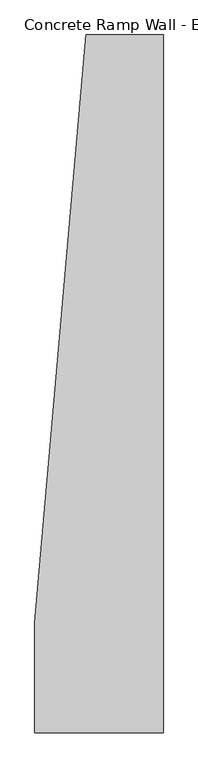
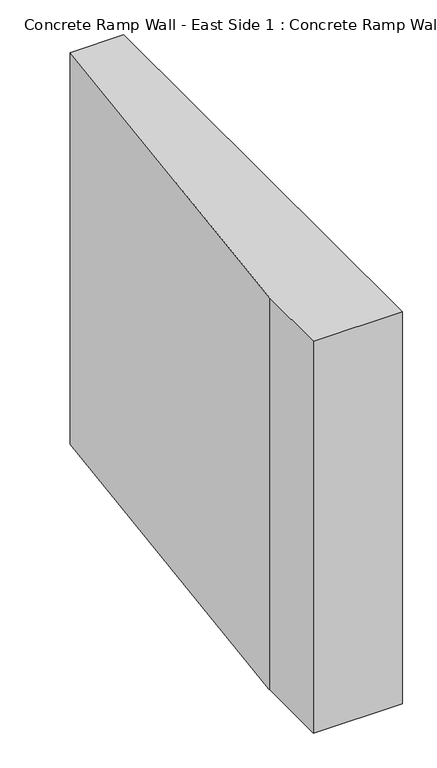
"""IFC4 building model written with IfcOpenShell, lengths in millimetres: beam geometry, Concrete Ramp Wall - East Side 1 : Concrete Ramp Wall - East Side 1."""

from ifc_helpers import new_model, si_unit, origin, place, context, project, spatial, faceted_brep, source, transform, mapped, element, save


def concrete_ramp_wall_east_side_1_concrete_ramp_wall_east_side_2fead596(model_context):
    return source(origin(), model_context, "Body", "Brep", [
        faceted_brep([(228296.1491692, 203463.2322067, 2340.0), (228296.1491692, 202863.2322067, 2340.0), (228996.1491692, 202863.2322067, 2340.0), (228996.1491692, 206663.2322067, 2340.0), (228576.1128925, 206663.2322067, 2340.0), (228296.1491692, 203463.2322067, -920.6679389), (228296.5296993, 203467.5816859, -920.6679389), (228576.1128925, 206663.2322067, -920.6679389), (228681.5478628, 206663.2322067, -920.6679389), (228732.7072784, 206663.2322067, -920.6679389), (228833.0731873, 206663.2322067, -920.6679389), (228996.1491692, 206663.2322067, -920.6679389), (228996.1491692, 202863.2322067, -920.6679389), (228296.1491692, 202863.2322067, -920.6679389), (228296.1491692, 202863.2322067, 2090.0), (228296.1491692, 202863.2322067, -660.0), (228296.1491692, 202863.2322067, -910.0), (228996.1491692, 202863.2322067, -910.0), (228996.1491692, 202863.2322067, -660.0), (228576.1128925, 206663.2322067, -660.0), (228576.1128925, 206663.2322067, -910.0), (228996.1491692, 206663.2322067, -910.0), (228996.1491692, 206663.2322067, -660.0)], [[[0, 1, 2, 3, 4]], [[5, 6, 7, 8, 9, 10, 11, 12, 13]], [[2, 1, 14, 15, 16, 13, 12, 17, 18]], [[0, 4, 19, 20, 7, 6, 5]], [[1, 0, 5, 13, 16, 15, 14]], [[3, 2, 18, 17, 12, 11, 21, 22]], [[4, 3, 22, 21, 11, 10, 9, 8, 7, 20, 19]]]),
    ])


if __name__ == "__main__":
    model = new_model("IFC4")
    model_context = context("Model", 3, world=origin())
    ifc_project = project(units=[si_unit("LENGTHUNIT", "METRE", prefix="MILLI")], contexts=[model_context])
    site = spatial("IfcSite", under=ifc_project)
    building = spatial("IfcBuilding", under=site)
    placement = place(None, origin())
    concrete_ramp_wall_east_side_1_concrete_ramp_wall_east_side_shape = concrete_ramp_wall_east_side_1_concrete_ramp_wall_east_side_2fead596(model_context)
    element("IfcBeam", 1, ObjectType="Concrete Ramp Wall - East Side 1 : Concrete Ramp Wall - East Side 1", at=placement, inside=building, context=model_context, shape_type="MappedRepresentation", body=[
        mapped(concrete_ramp_wall_east_side_1_concrete_ramp_wall_east_side_shape, transform((0.0, 0.0, 0.0), x_axis=(1.0, 0.0, 0.0), y_axis=(0.0, 1.0, 0.0), z_axis=(0.0, 0.0, 1.0))),
    ])
    save(model, "model.ifc")
